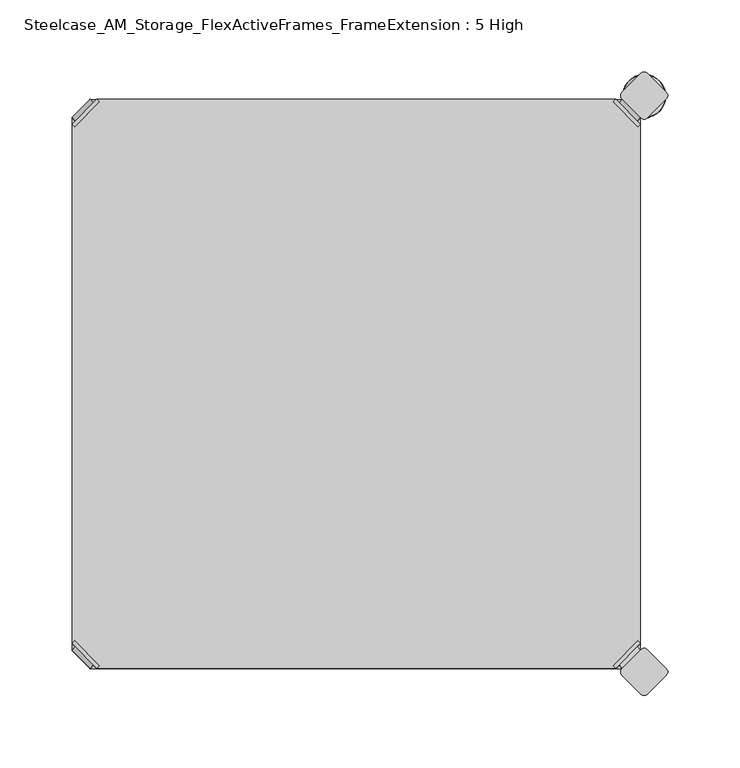
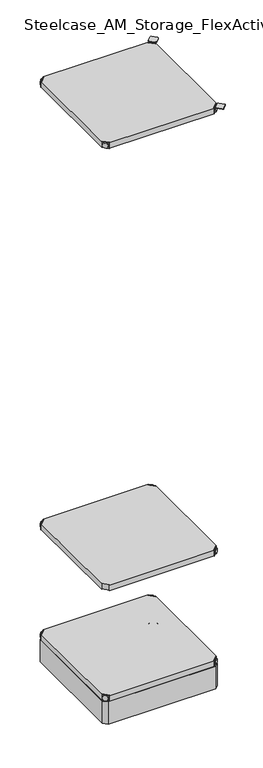
"""IFC4 building model written with IfcOpenShell, lengths in millimetres: furniture geometry, Steelcase_AM_Storage_FlexActiveFrames_FrameExtension : 5 High."""

from ifc_helpers import new_model, si_unit, point, frame, frame_2d, origin, place, context, project, spatial, polyline, circle_curve, ellipse_curve, trimmed, segment, composite_curve, outline, extrude, source, transform, mapped, element, save
from ifc_brep_helpers import plane_surface, cylinder_surface, revolved_surface, advanced_brep


def steelcase_am_storage_flexactiveframes_frameextension_5_high_f2556cbf(model_context):
    return source(origin(), model_context, "Body", "SolidModel", [
        advanced_brep(
        [(397.51, -380.2870969, 520.2936), (395.7139488, -378.4910456, 520.2936), (378.4910456, -395.7139488, 520.2936), (380.2870969, -397.51, 520.2936), (380.2870969, -397.51, 498.9576), (397.51, -380.2870969, 498.9576), (395.1847277, -382.6123691, 510.1336), (382.6123691, -395.1847277, 510.1336), (369.7579478, -352.5350447, 499.9736), (352.5350447, -369.7579478, 499.9736), (378.4910456, -395.7139488, 499.9736), (395.7139488, -378.4910456, 499.9736), (369.7579478, -352.5350447, 498.9576), (352.5350447, -369.7579478, 498.9576), (384.9272487, -397.4996073, 510.1336), (397.4996073, -384.9272487, 510.1336)],
        [
            (0, 1),
            (1, 2),
            (2, 3),
            (3, 0),
            (3, 4),
            (4, 5),
            (5, 0),
            (6, 7, circle_curve(frame((388.8985484, -388.8985484, 510.1336), z_axis=(-0.7071067811865446, 0.7071067811865505, 0.0), x_axis=(0.7071067811865505, 0.7071067811865446, 0.0)), 8.89)),
            (7, 6, circle_curve(frame((388.8985484, -388.8985484, 510.1336), z_axis=(-0.7071067811865446, 0.7071067811865505, 0.0), x_axis=(0.7071067811865505, 0.7071067811865446, 0.0)), 8.89)),
            (8, 9, circle_curve(frame((361.1464963, -361.1464963, 499.9736), z_axis=(0.0, 0.0, 1.0), x_axis=(-1.0, 0.0, 0.0)), 12.1784316)),
            (9, 10),
            (10, 11),
            (11, 8),
            (12, 5),
            (4, 13),
            (13, 12, circle_curve(frame((361.1464963, -361.1464963, 498.9576), z_axis=(0.0, 0.0, -1.0), x_axis=(-1.0, 0.0, 0.0)), 12.1784316)),
            (14, 15, circle_curve(frame((391.213428, -391.213428, 510.1336), z_axis=(0.7071067811865446, -0.7071067811865505, 0.0), x_axis=(0.7071067811865505, 0.7071067811865446, 0.0)), 8.89)),
            (15, 14, circle_curve(frame((391.213428, -391.213428, 510.1336), z_axis=(0.7071067811865446, -0.7071067811865505, 0.0), x_axis=(0.7071067811865505, 0.7071067811865446, 0.0)), 8.89)),
            (14, 7),
            (6, 15),
            (1, 11),
            (10, 2),
            (8, 12),
            (13, 9),
        ],
        [
            plane_surface(frame((419.7079872, -402.485084, 520.2936), z_axis=(0.0, 0.0, 1.0000000000000002), x_axis=(-0.7071067811865436, 0.7071067811865516, 0.0))),
            plane_surface(frame((380.2870969, -397.51, 520.2936), z_axis=(0.7071067811865447, -0.7071067811865503, 0.0), x_axis=(0.0, 0.0, -1.0))),
            plane_surface(frame((348.9680647, -361.1464963, 499.9736), z_axis=(0.0, 0.0, 1.0), x_axis=(0.0, -1.0, 0.0))),
            plane_surface(frame((348.9680647, -361.1464963, 498.9576), z_axis=(0.0, 0.0, -1.0), x_axis=(0.0, 1.0, 0.0))),
            plane_surface(frame((397.4996073, -384.9272487, 510.1336), z_axis=(0.7071067811865446, -0.7071067811865505, 0.0), x_axis=(0.0, 0.0, 1.0))),
            cylinder_surface(frame((388.8985484, -388.8985484, 510.1336), z_axis=(0.7071067811865446, -0.7071067811865505, 0.0), x_axis=(0.7071067811865505, 0.7071067811865446, 0.0)), 8.89),
            plane_surface(frame((395.7139488, -378.4910456, 520.2936), z_axis=(-0.7071067811865447, 0.7071067811865503, 0.0), x_axis=(0.0, 0.0, -1.0))),
            cylinder_surface(frame((361.1464963, -361.1464963, 498.9576), z_axis=(0.0, 0.0, 1.0), x_axis=(-1.0, 0.0, 0.0)), 12.1784316),
            plane_surface(frame((397.51, -380.2870969, 520.2936), z_axis=(0.7071067811865516, 0.7071067811865436, 0.0), x_axis=(0.0, 0.0, -1.0))),
            plane_surface(frame((378.4910456, -395.7139488, 520.2936), z_axis=(-0.7071067811865513, -0.7071067811865437, 0.0), x_axis=(0.0, 0.0, -1.0))),
        ],
        [
            (0, [[1, 2, 3, 4]]),
            (1, [[-4, 5, 6, 7], [8, 9]]),
            (2, [[10, 11, 12, 13]]),
            (3, [[14, -6, 15, 16]]),
            (4, [[17, 18]]),
            (5, [[-17, 19, -8, 20]]),
            (5, [[-18, -20, -9, -19]]),
            (6, [[-2, 21, -12, 22]]),
            (7, [[-10, 23, -16, 24]]),
            (8, [[-1, -7, -14, -23, -13, -21]]),
            (9, [[-3, -22, -11, -24, -15, -5]]),
        ],
    ),
        advanced_brep(
        [(397.51, -19.7629031, 520.2936), (380.2870969, -2.54, 520.2936), (378.4910456, -4.3360512, 520.2936), (395.7139488, -21.5589544, 520.2936), (397.51, -19.7629031, 498.9576), (380.2870969, -2.54, 498.9576), (395.1847277, -17.4376309, 510.1336), (382.6123691, -4.8652723, 510.1336), (369.7579478, -47.5149553, 499.9736), (395.7139488, -21.5589544, 499.9736), (378.4910456, -4.3360512, 499.9736), (352.5350447, -30.2920522, 499.9736), (369.7579478, -47.5149553, 498.9576), (352.5350447, -30.2920522, 498.9576), (384.9272487, -2.5503927, 510.1336), (397.4996073, -15.1227513, 510.1336)],
        [
            (0, 1),
            (1, 2),
            (2, 3),
            (3, 0),
            (0, 4),
            (4, 5),
            (5, 1),
            (6, 7, circle_curve(frame((388.8985484, -11.1514516, 510.1336), z_axis=(-0.7071067811865469, -0.7071067811865481, 0.0), x_axis=(0.7071067811865481, -0.7071067811865469, 0.0)), 8.89)),
            (7, 6, circle_curve(frame((388.8985484, -11.1514516, 510.1336), z_axis=(-0.7071067811865469, -0.7071067811865481, 0.0), x_axis=(0.7071067811865481, -0.7071067811865469, 0.0)), 8.89)),
            (8, 9),
            (9, 10),
            (10, 11),
            (11, 8, circle_curve(frame((361.1464963, -38.9035037, 499.9736), z_axis=(0.0, 0.0, 1.0), x_axis=(-1.0, 0.0, 0.0)), 12.1784316)),
            (12, 13, circle_curve(frame((361.1464963, -38.9035037, 498.9576), z_axis=(0.0, 0.0, -1.0), x_axis=(-1.0, 0.0, 0.0)), 12.1784316)),
            (13, 5),
            (4, 12),
            (14, 15, circle_curve(frame((391.213428, -8.836572, 510.1336), z_axis=(0.7071067811865469, 0.7071067811865481, 0.0), x_axis=(0.7071067811865481, -0.7071067811865469, 0.0)), 8.89)),
            (15, 14, circle_curve(frame((391.213428, -8.836572, 510.1336), z_axis=(0.7071067811865469, 0.7071067811865481, 0.0), x_axis=(0.7071067811865481, -0.7071067811865469, 0.0)), 8.89)),
            (15, 6),
            (7, 14),
            (2, 10),
            (9, 3),
            (11, 13),
            (12, 8),
        ],
        [
            plane_surface(frame((419.7079872, 2.435084, 520.2936), z_axis=(0.0, 0.0, 1.0000000000000002), x_axis=(-0.7071067811865459, -0.7071067811865492, 0.0))),
            plane_surface(frame((380.2870969, -2.54, 520.2936), z_axis=(0.707106781186547, 0.707106781186548, 0.0), x_axis=(0.0, 0.0, -1.0))),
            plane_surface(frame((348.9680647, -38.9035037, 499.9736), z_axis=(0.0, 0.0, 1.0), x_axis=(0.0, 1.0, 0.0))),
            plane_surface(frame((348.9680647, -38.9035037, 498.9576), z_axis=(0.0, 0.0, -1.0), x_axis=(0.0, -1.0, 0.0))),
            plane_surface(frame((397.4996073, -15.1227513, 510.1336), z_axis=(0.7071067811865469, 0.7071067811865481, 0.0), x_axis=(0.0, 0.0, 1.0))),
            cylinder_surface(frame((388.8985484, -11.1514516, 510.1336), z_axis=(0.7071067811865469, 0.7071067811865481, 0.0), x_axis=(0.7071067811865481, -0.7071067811865469, 0.0)), 8.89),
            plane_surface(frame((395.7139488, -21.5589544, 520.2936), z_axis=(-0.707106781186547, -0.707106781186548, 0.0), x_axis=(0.0, 0.0, -1.0))),
            cylinder_surface(frame((361.1464963, -38.9035037, 498.9576), z_axis=(0.0, 0.0, 1.0), x_axis=(-1.0, 0.0, 0.0)), 12.1784316),
            plane_surface(frame((397.51, -19.7629031, 520.2936), z_axis=(0.7071067811865492, -0.7071067811865459, 0.0), x_axis=(0.0, 0.0, -1.0))),
            plane_surface(frame((378.4910456, -4.3360512, 520.2936), z_axis=(-0.707106781186549, 0.707106781186546, 0.0), x_axis=(0.0, 0.0, -1.0))),
        ],
        [
            (0, [[1, 2, 3, 4]]),
            (1, [[5, 6, 7, -1], [8, 9]]),
            (2, [[10, 11, 12, 13]]),
            (3, [[14, 15, -6, 16]]),
            (4, [[17, 18]]),
            (5, [[19, -9, 20, -18]]),
            (5, [[-20, -8, -19, -17]]),
            (6, [[21, -11, 22, -3]]),
            (7, [[23, -14, 24, -13]]),
            (8, [[-22, -10, -24, -16, -5, -4]]),
            (9, [[-7, -15, -23, -12, -21, -2]]),
        ],
    ),
        advanced_brep(
        [(2.54, -19.7629031, 520.2936), (4.3360512, -21.5589544, 520.2936), (21.5589544, -4.3360512, 520.2936), (19.7629031, -2.54, 520.2936), (19.7629031, -2.54, 498.9576), (2.54, -19.7629031, 498.9576), (4.8652723, -17.4376309, 510.1336), (17.4376309, -4.8652723, 510.1336), (30.2920522, -47.5149553, 499.9736), (47.5149553, -30.2920522, 499.9736), (21.5589544, -4.3360512, 499.9736), (4.3360512, -21.5589544, 499.9736), (30.2920522, -47.5149553, 498.9576), (47.5149553, -30.2920522, 498.9576), (15.1227513, -2.5503927, 510.1336), (2.5503927, -15.1227513, 510.1336)],
        [
            (0, 1),
            (1, 2),
            (2, 3),
            (3, 0),
            (3, 4),
            (4, 5),
            (5, 0),
            (6, 7, circle_curve(frame((11.1514516, -11.1514516, 510.1336), z_axis=(0.7071067811865469, -0.7071067811865481, 0.0), x_axis=(-0.7071067811865481, -0.7071067811865469, 0.0)), 8.89)),
            (7, 6, circle_curve(frame((11.1514516, -11.1514516, 510.1336), z_axis=(0.7071067811865469, -0.7071067811865481, 0.0), x_axis=(-0.7071067811865481, -0.7071067811865469, 0.0)), 8.89)),
            (8, 9, circle_curve(frame((38.9035037, -38.9035037, 499.9736), z_axis=(0.0, 0.0, 1.0), x_axis=(1.0, 0.0, 0.0)), 12.1784316)),
            (9, 10),
            (10, 11),
            (11, 8),
            (12, 5),
            (4, 13),
            (13, 12, circle_curve(frame((38.9035037, -38.9035037, 498.9576), z_axis=(0.0, 0.0, -1.0), x_axis=(1.0, 0.0, 0.0)), 12.1784316)),
            (14, 15, circle_curve(frame((8.836572, -8.836572, 510.1336), z_axis=(-0.7071067811865469, 0.7071067811865481, 0.0), x_axis=(-0.7071067811865481, -0.7071067811865469, 0.0)), 8.89)),
            (15, 14, circle_curve(frame((8.836572, -8.836572, 510.1336), z_axis=(-0.7071067811865469, 0.7071067811865481, 0.0), x_axis=(-0.7071067811865481, -0.7071067811865469, 0.0)), 8.89)),
            (14, 7),
            (6, 15),
            (1, 11),
            (10, 2),
            (8, 12),
            (13, 9),
        ],
        [
            plane_surface(frame((-19.6579872, 2.435084, 520.2936), z_axis=(0.0, 0.0, 1.0000000000000002), x_axis=(0.7071067811865459, -0.7071067811865492, 0.0))),
            plane_surface(frame((19.7629031, -2.54, 520.2936), z_axis=(-0.707106781186547, 0.707106781186548, 0.0), x_axis=(0.0, 0.0, -1.0))),
            plane_surface(frame((51.0819353, -38.9035037, 499.9736), z_axis=(0.0, 0.0, 1.0), x_axis=(0.0, 1.0, 0.0))),
            plane_surface(frame((51.0819353, -38.9035037, 498.9576), z_axis=(0.0, 0.0, -1.0), x_axis=(0.0, -1.0, 0.0))),
            plane_surface(frame((2.5503927, -15.1227513, 510.1336), z_axis=(-0.7071067811865469, 0.7071067811865481, 0.0), x_axis=(0.0, 0.0, 1.0))),
            cylinder_surface(frame((11.1514516, -11.1514516, 510.1336), z_axis=(-0.7071067811865469, 0.7071067811865481, 0.0), x_axis=(-0.7071067811865481, -0.7071067811865469, 0.0)), 8.89),
            plane_surface(frame((4.3360512, -21.5589544, 520.2936), z_axis=(0.707106781186547, -0.707106781186548, 0.0), x_axis=(0.0, 0.0, -1.0))),
            cylinder_surface(frame((38.9035037, -38.9035037, 498.9576), z_axis=(0.0, 0.0, 1.0), x_axis=(1.0, 0.0, 0.0)), 12.1784316),
            plane_surface(frame((2.54, -19.7629031, 520.2936), z_axis=(-0.7071067811865492, -0.7071067811865459, 0.0), x_axis=(0.0, 0.0, -1.0))),
            plane_surface(frame((21.5589544, -4.3360512, 520.2936), z_axis=(0.707106781186549, 0.707106781186546, 0.0), x_axis=(0.0, 0.0, -1.0))),
        ],
        [
            (0, [[1, 2, 3, 4]]),
            (1, [[-4, 5, 6, 7], [8, 9]]),
            (2, [[10, 11, 12, 13]]),
            (3, [[14, -6, 15, 16]]),
            (4, [[17, 18]]),
            (5, [[-17, 19, -8, 20]]),
            (5, [[-18, -20, -9, -19]]),
            (6, [[-2, 21, -12, 22]]),
            (7, [[-10, 23, -16, 24]]),
            (8, [[-1, -7, -14, -23, -13, -21]]),
            (9, [[-3, -22, -11, -24, -15, -5]]),
        ],
    ),
        extrude(outline(polyline([(19.7629031, -2.54), (380.2870969, -2.54), (378.4910456, -4.3360512), (395.7139488, -21.5589544), (397.51, -19.7629031), (397.51, -380.2870969), (395.7139488, -378.4910456), (378.4910456, -395.7139488), (380.2870969, -397.51), (19.7629031, -397.51), (21.5589544, -395.7139488), (4.3360512, -378.4910456), (2.54, -380.2870969), (2.54, -19.7629031), (4.3360512, -21.5589544), (21.5589544, -4.3360512), (19.7629031, -2.54)])), frame((0.0, 0.0, 499.9736), z_axis=(0.0, 0.0, 1.0), x_axis=(1.0, 0.0, 0.0)), (0.0, 0.0, 1.0), 20.32),
        advanced_brep(
        [(2.54, -380.2870969, 2127.25), (19.7629031, -397.51, 2127.25), (21.5589544, -395.7139488, 2127.25), (4.3360512, -378.4910456, 2127.25), (2.54, -380.2870969, 2105.914), (19.7629031, -397.51, 2105.914), (4.8652723, -382.6123691, 2117.09), (17.4376309, -395.1847277, 2117.09), (30.2920522, -352.5350447, 2106.93), (4.3360512, -378.4910456, 2106.93), (21.5589544, -395.7139488, 2106.93), (47.5149553, -369.7579478, 2106.93), (30.2920522, -352.5350447, 2105.914), (47.5149553, -369.7579478, 2105.914), (15.1227513, -397.4996073, 2117.09), (2.5503927, -384.9272487, 2117.09)],
        [
            (0, 1),
            (1, 2),
            (2, 3),
            (3, 0),
            (0, 4),
            (4, 5),
            (5, 1),
            (6, 7, circle_curve(frame((11.1514516, -388.8985484, 2117.09), z_axis=(0.7071067811865446, 0.7071067811865505, 0.0), x_axis=(-0.7071067811865505, 0.7071067811865446, 0.0)), 8.89)),
            (7, 6, circle_curve(frame((11.1514516, -388.8985484, 2117.09), z_axis=(0.7071067811865446, 0.7071067811865505, 0.0), x_axis=(-0.7071067811865505, 0.7071067811865446, 0.0)), 8.89)),
            (8, 9),
            (9, 10),
            (10, 11),
            (11, 8, circle_curve(frame((38.9035037, -361.1464963, 2106.93), z_axis=(0.0, 0.0, 1.0), x_axis=(1.0, 0.0, 0.0)), 12.1784316)),
            (12, 13, circle_curve(frame((38.9035037, -361.1464963, 2105.914), z_axis=(0.0, 0.0, -1.0), x_axis=(1.0, 0.0, 0.0)), 12.1784316)),
            (13, 5),
            (4, 12),
            (14, 15, circle_curve(frame((8.836572, -391.213428, 2117.09), z_axis=(-0.7071067811865446, -0.7071067811865505, 0.0), x_axis=(-0.7071067811865505, 0.7071067811865446, 0.0)), 8.89)),
            (15, 14, circle_curve(frame((8.836572, -391.213428, 2117.09), z_axis=(-0.7071067811865446, -0.7071067811865505, 0.0), x_axis=(-0.7071067811865505, 0.7071067811865446, 0.0)), 8.89)),
            (15, 6),
            (7, 14),
            (2, 10),
            (9, 3),
            (11, 13),
            (12, 8),
        ],
        [
            plane_surface(frame((-19.6579872, -402.485084, 2127.25), z_axis=(0.0, 0.0, 1.0000000000000002), x_axis=(0.7071067811865436, 0.7071067811865516, 0.0))),
            plane_surface(frame((19.7629031, -397.51, 2127.25), z_axis=(-0.7071067811865447, -0.7071067811865503, 0.0), x_axis=(0.0, 0.0, -1.0))),
            plane_surface(frame((51.0819353, -361.1464963, 2106.93), z_axis=(0.0, 0.0, 1.0), x_axis=(0.0, -1.0, 0.0))),
            plane_surface(frame((51.0819353, -361.1464963, 2105.914), z_axis=(0.0, 0.0, -1.0), x_axis=(0.0, 1.0, 0.0))),
            plane_surface(frame((2.5503927, -384.9272487, 2117.09), z_axis=(-0.7071067811865446, -0.7071067811865505, 0.0), x_axis=(0.0, 0.0, 1.0))),
            cylinder_surface(frame((11.1514516, -388.8985484, 2117.09), z_axis=(-0.7071067811865446, -0.7071067811865505, 0.0), x_axis=(-0.7071067811865505, 0.7071067811865446, 0.0)), 8.89),
            plane_surface(frame((4.3360512, -378.4910456, 2127.25), z_axis=(0.7071067811865447, 0.7071067811865503, 0.0), x_axis=(0.0, 0.0, -1.0))),
            cylinder_surface(frame((38.9035037, -361.1464963, 2105.914), z_axis=(0.0, 0.0, 1.0), x_axis=(1.0, 0.0, 0.0)), 12.1784316),
            plane_surface(frame((2.54, -380.2870969, 2127.25), z_axis=(-0.7071067811865516, 0.7071067811865436, 0.0), x_axis=(0.0, 0.0, -1.0))),
            plane_surface(frame((21.5589544, -395.7139488, 2127.25), z_axis=(0.7071067811865513, -0.7071067811865437, 0.0), x_axis=(0.0, 0.0, -1.0))),
        ],
        [
            (0, [[1, 2, 3, 4]]),
            (1, [[5, 6, 7, -1], [8, 9]]),
            (2, [[10, 11, 12, 13]]),
            (3, [[14, 15, -6, 16]]),
            (4, [[17, 18]]),
            (5, [[19, -9, 20, -18]]),
            (5, [[-20, -8, -19, -17]]),
            (6, [[21, -11, 22, -3]]),
            (7, [[23, -14, 24, -13]]),
            (8, [[-22, -10, -24, -16, -5, -4]]),
            (9, [[-7, -15, -23, -12, -21, -2]]),
        ],
    ),
        advanced_brep(
        [(397.51, -380.2870969, 2127.25), (395.7139488, -378.4910456, 2127.25), (378.4910456, -395.7139488, 2127.25), (380.2870969, -397.51, 2127.25), (380.2870969, -397.51, 2105.914), (397.51, -380.2870969, 2105.914), (395.1847277, -382.6123691, 2117.09), (382.6123691, -395.1847277, 2117.09), (369.7579478, -352.5350447, 2106.93), (352.5350447, -369.7579478, 2106.93), (378.4910456, -395.7139488, 2106.93), (395.7139488, -378.4910456, 2106.93), (369.7579478, -352.5350447, 2105.914), (352.5350447, -369.7579478, 2105.914), (384.9272487, -397.4996073, 2117.09), (397.4996073, -384.9272487, 2117.09)],
        [
            (0, 1),
            (1, 2),
            (2, 3),
            (3, 0),
            (3, 4),
            (4, 5),
            (5, 0),
            (6, 7, circle_curve(frame((388.8985484, -388.8985484, 2117.09), z_axis=(-0.7071067811865446, 0.7071067811865505, 0.0), x_axis=(0.7071067811865505, 0.7071067811865446, 0.0)), 8.89)),
            (7, 6, circle_curve(frame((388.8985484, -388.8985484, 2117.09), z_axis=(-0.7071067811865446, 0.7071067811865505, 0.0), x_axis=(0.7071067811865505, 0.7071067811865446, 0.0)), 8.89)),
            (8, 9, circle_curve(frame((361.1464963, -361.1464963, 2106.93), z_axis=(0.0, 0.0, 1.0), x_axis=(-1.0, 0.0, 0.0)), 12.1784316)),
            (9, 10),
            (10, 11),
            (11, 8),
            (12, 5),
            (4, 13),
            (13, 12, circle_curve(frame((361.1464963, -361.1464963, 2105.914), z_axis=(0.0, 0.0, -1.0), x_axis=(-1.0, 0.0, 0.0)), 12.1784316)),
            (14, 15, circle_curve(frame((391.213428, -391.213428, 2117.09), z_axis=(0.7071067811865446, -0.7071067811865505, 0.0), x_axis=(0.7071067811865505, 0.7071067811865446, 0.0)), 8.89)),
            (15, 14, circle_curve(frame((391.213428, -391.213428, 2117.09), z_axis=(0.7071067811865446, -0.7071067811865505, 0.0), x_axis=(0.7071067811865505, 0.7071067811865446, 0.0)), 8.89)),
            (14, 7),
            (6, 15),
            (1, 11),
            (10, 2),
            (8, 12),
            (13, 9),
        ],
        [
            plane_surface(frame((419.7079872, -402.485084, 2127.25), z_axis=(0.0, 0.0, 1.0000000000000002), x_axis=(-0.7071067811865436, 0.7071067811865516, 0.0))),
            plane_surface(frame((380.2870969, -397.51, 2127.25), z_axis=(0.7071067811865447, -0.7071067811865503, 0.0), x_axis=(0.0, 0.0, -1.0))),
            plane_surface(frame((348.9680647, -361.1464963, 2106.93), z_axis=(0.0, 0.0, 1.0), x_axis=(0.0, -1.0, 0.0))),
            plane_surface(frame((348.9680647, -361.1464963, 2105.914), z_axis=(0.0, 0.0, -1.0), x_axis=(0.0, 1.0, 0.0))),
            plane_surface(frame((397.4996073, -384.9272487, 2117.09), z_axis=(0.7071067811865446, -0.7071067811865505, 0.0), x_axis=(0.0, 0.0, 1.0))),
            cylinder_surface(frame((388.8985484, -388.8985484, 2117.09), z_axis=(0.7071067811865446, -0.7071067811865505, 0.0), x_axis=(0.7071067811865505, 0.7071067811865446, 0.0)), 8.89),
            plane_surface(frame((395.7139488, -378.4910456, 2127.25), z_axis=(-0.7071067811865447, 0.7071067811865503, 0.0), x_axis=(0.0, 0.0, -1.0))),
            cylinder_surface(frame((361.1464963, -361.1464963, 2105.914), z_axis=(0.0, 0.0, 1.0), x_axis=(-1.0, 0.0, 0.0)), 12.1784316),
            plane_surface(frame((397.51, -380.2870969, 2127.25), z_axis=(0.7071067811865516, 0.7071067811865436, 0.0), x_axis=(0.0, 0.0, -1.0))),
            plane_surface(frame((378.4910456, -395.7139488, 2127.25), z_axis=(-0.7071067811865513, -0.7071067811865437, 0.0), x_axis=(0.0, 0.0, -1.0))),
        ],
        [
            (0, [[1, 2, 3, 4]]),
            (1, [[-4, 5, 6, 7], [8, 9]]),
            (2, [[10, 11, 12, 13]]),
            (3, [[14, -6, 15, 16]]),
            (4, [[17, 18]]),
            (5, [[-17, 19, -8, 20]]),
            (5, [[-18, -20, -9, -19]]),
            (6, [[-2, 21, -12, 22]]),
            (7, [[-10, 23, -16, 24]]),
            (8, [[-1, -7, -14, -23, -13, -21]]),
            (9, [[-3, -22, -11, -24, -15, -5]]),
        ],
    ),
        advanced_brep(
        [(397.51, -19.7629031, 2127.25), (380.2870969, -2.54, 2127.25), (378.4910456, -4.3360512, 2127.25), (395.7139488, -21.5589544, 2127.25), (397.51, -19.7629031, 2105.914), (380.2870969, -2.54, 2105.914), (395.1847277, -17.4376309, 2117.09), (382.6123691, -4.8652723, 2117.09), (369.7579478, -47.5149553, 2106.93), (395.7139488, -21.5589544, 2106.93), (378.4910456, -4.3360512, 2106.93), (352.5350447, -30.2920522, 2106.93), (369.7579478, -47.5149553, 2105.914), (352.5350447, -30.2920522, 2105.914), (384.9272487, -2.5503927, 2117.09), (397.4996073, -15.1227513, 2117.09)],
        [
            (0, 1),
            (1, 2),
            (2, 3),
            (3, 0),
            (0, 4),
            (4, 5),
            (5, 1),
            (6, 7, circle_curve(frame((388.8985484, -11.1514516, 2117.09), z_axis=(-0.7071067811865469, -0.7071067811865481, 0.0), x_axis=(0.7071067811865481, -0.7071067811865469, 0.0)), 8.89)),
            (7, 6, circle_curve(frame((388.8985484, -11.1514516, 2117.09), z_axis=(-0.7071067811865469, -0.7071067811865481, 0.0), x_axis=(0.7071067811865481, -0.7071067811865469, 0.0)), 8.89)),
            (8, 9),
            (9, 10),
            (10, 11),
            (11, 8, circle_curve(frame((361.1464963, -38.9035037, 2106.93), z_axis=(0.0, 0.0, 1.0), x_axis=(-1.0, 0.0, 0.0)), 12.1784316)),
            (12, 13, circle_curve(frame((361.1464963, -38.9035037, 2105.914), z_axis=(0.0, 0.0, -1.0), x_axis=(-1.0, 0.0, 0.0)), 12.1784316)),
            (13, 5),
            (4, 12),
            (14, 15, circle_curve(frame((391.213428, -8.836572, 2117.09), z_axis=(0.7071067811865469, 0.7071067811865481, 0.0), x_axis=(0.7071067811865481, -0.7071067811865469, 0.0)), 8.89)),
            (15, 14, circle_curve(frame((391.213428, -8.836572, 2117.09), z_axis=(0.7071067811865469, 0.7071067811865481, 0.0), x_axis=(0.7071067811865481, -0.7071067811865469, 0.0)), 8.89)),
            (15, 6),
            (7, 14),
            (2, 10),
            (9, 3),
            (11, 13),
            (12, 8),
        ],
        [
            plane_surface(frame((419.7079872, 2.435084, 2127.25), z_axis=(0.0, 0.0, 1.0000000000000002), x_axis=(-0.7071067811865459, -0.7071067811865492, 0.0))),
            plane_surface(frame((380.2870969, -2.54, 2127.25), z_axis=(0.707106781186547, 0.707106781186548, 0.0), x_axis=(0.0, 0.0, -1.0))),
            plane_surface(frame((348.9680647, -38.9035037, 2106.93), z_axis=(0.0, 0.0, 1.0), x_axis=(0.0, 1.0, 0.0))),
            plane_surface(frame((348.9680647, -38.9035037, 2105.914), z_axis=(0.0, 0.0, -1.0), x_axis=(0.0, -1.0, 0.0))),
            plane_surface(frame((397.4996073, -15.1227513, 2117.09), z_axis=(0.7071067811865469, 0.7071067811865481, 0.0), x_axis=(0.0, 0.0, 1.0))),
            cylinder_surface(frame((388.8985484, -11.1514516, 2117.09), z_axis=(0.7071067811865469, 0.7071067811865481, 0.0), x_axis=(0.7071067811865481, -0.7071067811865469, 0.0)), 8.89),
            plane_surface(frame((395.7139488, -21.5589544, 2127.25), z_axis=(-0.707106781186547, -0.707106781186548, 0.0), x_axis=(0.0, 0.0, -1.0))),
            cylinder_surface(frame((361.1464963, -38.9035037, 2105.914), z_axis=(0.0, 0.0, 1.0), x_axis=(-1.0, 0.0, 0.0)), 12.1784316),
            plane_surface(frame((397.51, -19.7629031, 2127.25), z_axis=(0.7071067811865492, -0.7071067811865459, 0.0), x_axis=(0.0, 0.0, -1.0))),
            plane_surface(frame((378.4910456, -4.3360512, 2127.25), z_axis=(-0.707106781186549, 0.707106781186546, 0.0), x_axis=(0.0, 0.0, -1.0))),
        ],
        [
            (0, [[1, 2, 3, 4]]),
            (1, [[5, 6, 7, -1], [8, 9]]),
            (2, [[10, 11, 12, 13]]),
            (3, [[14, 15, -6, 16]]),
            (4, [[17, 18]]),
            (5, [[19, -9, 20, -18]]),
            (5, [[-20, -8, -19, -17]]),
            (6, [[21, -11, 22, -3]]),
            (7, [[23, -14, 24, -13]]),
            (8, [[-22, -10, -24, -16, -5, -4]]),
            (9, [[-7, -15, -23, -12, -21, -2]]),
        ],
    ),
        advanced_brep(
        [(2.54, -19.7629031, 2127.25), (4.3360512, -21.5589544, 2127.25), (21.5589544, -4.3360512, 2127.25), (19.7629031, -2.54, 2127.25), (19.7629031, -2.54, 2105.914), (2.54, -19.7629031, 2105.914), (4.8652723, -17.4376309, 2117.09), (17.4376309, -4.8652723, 2117.09), (30.2920522, -47.5149553, 2106.93), (47.5149553, -30.2920522, 2106.93), (21.5589544, -4.3360512, 2106.93), (4.3360512, -21.5589544, 2106.93), (30.2920522, -47.5149553, 2105.914), (47.5149553, -30.2920522, 2105.914), (15.1227513, -2.5503927, 2117.09), (2.5503927, -15.1227513, 2117.09)],
        [
            (0, 1),
            (1, 2),
            (2, 3),
            (3, 0),
            (3, 4),
            (4, 5),
            (5, 0),
            (6, 7, circle_curve(frame((11.1514516, -11.1514516, 2117.09), z_axis=(0.7071067811865469, -0.7071067811865481, 0.0), x_axis=(-0.7071067811865481, -0.7071067811865469, 0.0)), 8.89)),
            (7, 6, circle_curve(frame((11.1514516, -11.1514516, 2117.09), z_axis=(0.7071067811865469, -0.7071067811865481, 0.0), x_axis=(-0.7071067811865481, -0.7071067811865469, 0.0)), 8.89)),
            (8, 9, circle_curve(frame((38.9035037, -38.9035037, 2106.93), z_axis=(0.0, 0.0, 1.0), x_axis=(1.0, 0.0, 0.0)), 12.1784316)),
            (9, 10),
            (10, 11),
            (11, 8),
            (12, 5),
            (4, 13),
            (13, 12, circle_curve(frame((38.9035037, -38.9035037, 2105.914), z_axis=(0.0, 0.0, -1.0), x_axis=(1.0, 0.0, 0.0)), 12.1784316)),
            (14, 15, circle_curve(frame((8.836572, -8.836572, 2117.09), z_axis=(-0.7071067811865469, 0.7071067811865481, 0.0), x_axis=(-0.7071067811865481, -0.7071067811865469, 0.0)), 8.89)),
            (15, 14, circle_curve(frame((8.836572, -8.836572, 2117.09), z_axis=(-0.7071067811865469, 0.7071067811865481, 0.0), x_axis=(-0.7071067811865481, -0.7071067811865469, 0.0)), 8.89)),
            (14, 7),
            (6, 15),
            (1, 11),
            (10, 2),
            (8, 12),
            (13, 9),
        ],
        [
            plane_surface(frame((-19.6579872, 2.435084, 2127.25), z_axis=(0.0, 0.0, 1.0000000000000002), x_axis=(0.7071067811865459, -0.7071067811865492, 0.0))),
            plane_surface(frame((19.7629031, -2.54, 2127.25), z_axis=(-0.707106781186547, 0.707106781186548, 0.0), x_axis=(0.0, 0.0, -1.0))),
            plane_surface(frame((51.0819353, -38.9035037, 2106.93), z_axis=(0.0, 0.0, 1.0), x_axis=(0.0, 1.0, 0.0))),
            plane_surface(frame((51.0819353, -38.9035037, 2105.914), z_axis=(0.0, 0.0, -1.0), x_axis=(0.0, -1.0, 0.0))),
            plane_surface(frame((2.5503927, -15.1227513, 2117.09), z_axis=(-0.7071067811865469, 0.7071067811865481, 0.0), x_axis=(0.0, 0.0, 1.0))),
            cylinder_surface(frame((11.1514516, -11.1514516, 2117.09), z_axis=(-0.7071067811865469, 0.7071067811865481, 0.0), x_axis=(-0.7071067811865481, -0.7071067811865469, 0.0)), 8.89),
            plane_surface(frame((4.3360512, -21.5589544, 2127.25), z_axis=(0.707106781186547, -0.707106781186548, 0.0), x_axis=(0.0, 0.0, -1.0))),
            cylinder_surface(frame((38.9035037, -38.9035037, 2105.914), z_axis=(0.0, 0.0, 1.0), x_axis=(1.0, 0.0, 0.0)), 12.1784316),
            plane_surface(frame((2.54, -19.7629031, 2127.25), z_axis=(-0.7071067811865492, -0.7071067811865459, 0.0), x_axis=(0.0, 0.0, -1.0))),
            plane_surface(frame((21.5589544, -4.3360512, 2127.25), z_axis=(0.707106781186549, 0.707106781186546, 0.0), x_axis=(0.0, 0.0, -1.0))),
        ],
        [
            (0, [[1, 2, 3, 4]]),
            (1, [[-4, 5, 6, 7], [8, 9]]),
            (2, [[10, 11, 12, 13]]),
            (3, [[14, -6, 15, 16]]),
            (4, [[17, 18]]),
            (5, [[-17, 19, -8, 20]]),
            (5, [[-18, -20, -9, -19]]),
            (6, [[-2, 21, -12, 22]]),
            (7, [[-10, 23, -16, 24]]),
            (8, [[-1, -7, -14, -23, -13, -21]]),
            (9, [[-3, -22, -11, -24, -15, -5]]),
        ],
    ),
        extrude(outline(polyline([(19.7629031, -2.54), (380.2870969, -2.54), (378.4910456, -4.3360512), (395.7139488, -21.5589544), (397.51, -19.7629031), (397.51, -380.2870969), (395.7139488, -378.4910456), (378.4910456, -395.7139488), (380.2870969, -397.51), (19.7629031, -397.51), (21.5589544, -395.7139488), (4.3360512, -378.4910456), (2.54, -380.2870969), (2.54, -19.7629031), (4.3360512, -21.5589544), (21.5589544, -4.3360512), (19.7629031, -2.54)])), frame((0.0, 0.0, 2106.93), z_axis=(0.0, 0.0, 1.0), x_axis=(1.0, 0.0, 0.0)), (0.0, 0.0, 1.0), 20.32),
        advanced_brep(
        [(2.54, -380.2870969, 118.9736), (19.7629031, -397.51, 118.9736), (21.5589544, -395.7139488, 118.9736), (4.3360512, -378.4910456, 118.9736), (2.54, -380.2870969, 97.6376), (19.7629031, -397.51, 97.6376), (4.8652723, -382.6123691, 108.8136), (17.4376309, -395.1847277, 108.8136), (30.2920522, -352.5350447, 98.6536), (4.3360512, -378.4910456, 98.6536), (21.5589544, -395.7139488, 98.6536), (47.5149553, -369.7579478, 98.6536), (30.2920522, -352.5350447, 97.6376), (47.5149553, -369.7579478, 97.6376), (15.1227513, -397.4996073, 108.8136), (2.5503927, -384.9272487, 108.8136)],
        [
            (0, 1),
            (1, 2),
            (2, 3),
            (3, 0),
            (0, 4),
            (4, 5),
            (5, 1),
            (6, 7, circle_curve(frame((11.1514516, -388.8985484, 108.8136), z_axis=(0.7071067811865446, 0.7071067811865505, 0.0), x_axis=(-0.7071067811865505, 0.7071067811865446, 0.0)), 8.89)),
            (7, 6, circle_curve(frame((11.1514516, -388.8985484, 108.8136), z_axis=(0.7071067811865446, 0.7071067811865505, 0.0), x_axis=(-0.7071067811865505, 0.7071067811865446, 0.0)), 8.89)),
            (8, 9),
            (9, 10),
            (10, 11),
            (11, 8, circle_curve(frame((38.9035037, -361.1464963, 98.6536), z_axis=(0.0, 0.0, 1.0), x_axis=(1.0, 0.0, 0.0)), 12.1784316)),
            (12, 13, circle_curve(frame((38.9035037, -361.1464963, 97.6376), z_axis=(0.0, 0.0, -1.0), x_axis=(1.0, 0.0, 0.0)), 12.1784316)),
            (13, 5),
            (4, 12),
            (14, 15, circle_curve(frame((8.836572, -391.213428, 108.8136), z_axis=(-0.7071067811865446, -0.7071067811865505, 0.0), x_axis=(-0.7071067811865505, 0.7071067811865446, 0.0)), 8.89)),
            (15, 14, circle_curve(frame((8.836572, -391.213428, 108.8136), z_axis=(-0.7071067811865446, -0.7071067811865505, 0.0), x_axis=(-0.7071067811865505, 0.7071067811865446, 0.0)), 8.89)),
            (15, 6),
            (7, 14),
            (2, 10),
            (9, 3),
            (11, 13),
            (12, 8),
        ],
        [
            plane_surface(frame((-19.6579872, -402.485084, 118.9736), z_axis=(0.0, 0.0, 1.0000000000000002), x_axis=(0.7071067811865436, 0.7071067811865516, 0.0))),
            plane_surface(frame((19.7629031, -397.51, 118.9736), z_axis=(-0.7071067811865447, -0.7071067811865503, 0.0), x_axis=(0.0, 0.0, -1.0))),
            plane_surface(frame((51.0819353, -361.1464963, 98.6536), z_axis=(0.0, 0.0, 1.0), x_axis=(0.0, -1.0, 0.0))),
            plane_surface(frame((51.0819353, -361.1464963, 97.6376), z_axis=(0.0, 0.0, -1.0), x_axis=(0.0, 1.0, 0.0))),
            plane_surface(frame((2.5503927, -384.9272487, 108.8136), z_axis=(-0.7071067811865446, -0.7071067811865505, 0.0), x_axis=(0.0, 0.0, 1.0))),
            cylinder_surface(frame((11.1514516, -388.8985484, 108.8136), z_axis=(-0.7071067811865446, -0.7071067811865505, 0.0), x_axis=(-0.7071067811865505, 0.7071067811865446, 0.0)), 8.89),
            plane_surface(frame((4.3360512, -378.4910456, 118.9736), z_axis=(0.7071067811865447, 0.7071067811865503, 0.0), x_axis=(0.0, 0.0, -1.0))),
            cylinder_surface(frame((38.9035037, -361.1464963, 97.6376), z_axis=(0.0, 0.0, 1.0), x_axis=(1.0, 0.0, 0.0)), 12.1784316),
            plane_surface(frame((2.54, -380.2870969, 118.9736), z_axis=(-0.7071067811865516, 0.7071067811865436, 0.0), x_axis=(0.0, 0.0, -1.0))),
            plane_surface(frame((21.5589544, -395.7139488, 118.9736), z_axis=(0.7071067811865513, -0.7071067811865437, 0.0), x_axis=(0.0, 0.0, -1.0))),
        ],
        [
            (0, [[1, 2, 3, 4]]),
            (1, [[5, 6, 7, -1], [8, 9]]),
            (2, [[10, 11, 12, 13]]),
            (3, [[14, 15, -6, 16]]),
            (4, [[17, 18]]),
            (5, [[19, -9, 20, -18]]),
            (5, [[-20, -8, -19, -17]]),
            (6, [[21, -11, 22, -3]]),
            (7, [[23, -14, 24, -13]]),
            (8, [[-22, -10, -24, -16, -5, -4]]),
            (9, [[-7, -15, -23, -12, -21, -2]]),
        ],
    ),
        advanced_brep(
        [(397.51, -380.2870969, 118.9736), (395.7139488, -378.4910456, 118.9736), (378.4910456, -395.7139488, 118.9736), (380.2870969, -397.51, 118.9736), (380.2870969, -397.51, 97.6376), (397.51, -380.2870969, 97.6376), (395.1847277, -382.6123691, 108.8136), (382.6123691, -395.1847277, 108.8136), (369.7579478, -352.5350447, 98.6536), (352.5350447, -369.7579478, 98.6536), (378.4910456, -395.7139488, 98.6536), (395.7139488, -378.4910456, 98.6536), (369.7579478, -352.5350447, 97.6376), (352.5350447, -369.7579478, 97.6376), (384.9272487, -397.4996073, 108.8136), (397.4996073, -384.9272487, 108.8136)],
        [
            (0, 1),
            (1, 2),
            (2, 3),
            (3, 0),
            (3, 4),
            (4, 5),
            (5, 0),
            (6, 7, circle_curve(frame((388.8985484, -388.8985484, 108.8136), z_axis=(-0.7071067811865446, 0.7071067811865505, 0.0), x_axis=(0.7071067811865505, 0.7071067811865446, 0.0)), 8.89)),
            (7, 6, circle_curve(frame((388.8985484, -388.8985484, 108.8136), z_axis=(-0.7071067811865446, 0.7071067811865505, 0.0), x_axis=(0.7071067811865505, 0.7071067811865446, 0.0)), 8.89)),
            (8, 9, circle_curve(frame((361.1464963, -361.1464963, 98.6536), z_axis=(0.0, 0.0, 1.0), x_axis=(-1.0, 0.0, 0.0)), 12.1784316)),
            (9, 10),
            (10, 11),
            (11, 8),
            (12, 5),
            (4, 13),
            (13, 12, circle_curve(frame((361.1464963, -361.1464963, 97.6376), z_axis=(0.0, 0.0, -1.0), x_axis=(-1.0, 0.0, 0.0)), 12.1784316)),
            (14, 15, circle_curve(frame((391.213428, -391.213428, 108.8136), z_axis=(0.7071067811865446, -0.7071067811865505, 0.0), x_axis=(0.7071067811865505, 0.7071067811865446, 0.0)), 8.89)),
            (15, 14, circle_curve(frame((391.213428, -391.213428, 108.8136), z_axis=(0.7071067811865446, -0.7071067811865505, 0.0), x_axis=(0.7071067811865505, 0.7071067811865446, 0.0)), 8.89)),
            (14, 7),
            (6, 15),
            (1, 11),
            (10, 2),
            (8, 12),
            (13, 9),
        ],
        [
            plane_surface(frame((419.7079872, -402.485084, 118.9736), z_axis=(0.0, 0.0, 1.0000000000000002), x_axis=(-0.7071067811865436, 0.7071067811865516, 0.0))),
            plane_surface(frame((380.2870969, -397.51, 118.9736), z_axis=(0.7071067811865447, -0.7071067811865503, 0.0), x_axis=(0.0, 0.0, -1.0))),
            plane_surface(frame((348.9680647, -361.1464963, 98.6536), z_axis=(0.0, 0.0, 1.0), x_axis=(0.0, -1.0, 0.0))),
            plane_surface(frame((348.9680647, -361.1464963, 97.6376), z_axis=(0.0, 0.0, -1.0), x_axis=(0.0, 1.0, 0.0))),
            plane_surface(frame((397.4996073, -384.9272487, 108.8136), z_axis=(0.7071067811865446, -0.7071067811865505, 0.0), x_axis=(0.0, 0.0, 1.0))),
            cylinder_surface(frame((388.8985484, -388.8985484, 108.8136), z_axis=(0.7071067811865446, -0.7071067811865505, 0.0), x_axis=(0.7071067811865505, 0.7071067811865446, 0.0)), 8.89),
            plane_surface(frame((395.7139488, -378.4910456, 118.9736), z_axis=(-0.7071067811865447, 0.7071067811865503, 0.0), x_axis=(0.0, 0.0, -1.0))),
            cylinder_surface(frame((361.1464963, -361.1464963, 97.6376), z_axis=(0.0, 0.0, 1.0), x_axis=(-1.0, 0.0, 0.0)), 12.1784316),
            plane_surface(frame((397.51, -380.2870969, 118.9736), z_axis=(0.7071067811865516, 0.7071067811865436, 0.0), x_axis=(0.0, 0.0, -1.0))),
            plane_surface(frame((378.4910456, -395.7139488, 118.9736), z_axis=(-0.7071067811865513, -0.7071067811865437, 0.0), x_axis=(0.0, 0.0, -1.0))),
        ],
        [
            (0, [[1, 2, 3, 4]]),
            (1, [[-4, 5, 6, 7], [8, 9]]),
            (2, [[10, 11, 12, 13]]),
            (3, [[14, -6, 15, 16]]),
            (4, [[17, 18]]),
            (5, [[-17, 19, -8, 20]]),
            (5, [[-18, -20, -9, -19]]),
            (6, [[-2, 21, -12, 22]]),
            (7, [[-10, 23, -16, 24]]),
            (8, [[-1, -7, -14, -23, -13, -21]]),
            (9, [[-3, -22, -11, -24, -15, -5]]),
        ],
    ),
        advanced_brep(
        [(397.51, -19.7629031, 118.9736), (380.2870969, -2.54, 118.9736), (378.4910456, -4.3360512, 118.9736), (395.7139488, -21.5589544, 118.9736), (397.51, -19.7629031, 97.6376), (380.2870969, -2.54, 97.6376), (395.1847277, -17.4376309, 108.8136), (382.6123691, -4.8652723, 108.8136), (369.7579478, -47.5149553, 98.6536), (395.7139488, -21.5589544, 98.6536), (378.4910456, -4.3360512, 98.6536), (352.5350447, -30.2920522, 98.6536), (369.7579478, -47.5149553, 97.6376), (352.5350447, -30.2920522, 97.6376), (384.9272487, -2.5503927, 108.8136), (397.4996073, -15.1227513, 108.8136)],
        [
            (0, 1),
            (1, 2),
            (2, 3),
            (3, 0),
            (0, 4),
            (4, 5),
            (5, 1),
            (6, 7, circle_curve(frame((388.8985484, -11.1514516, 108.8136), z_axis=(-0.7071067811865469, -0.7071067811865481, 0.0), x_axis=(0.7071067811865481, -0.7071067811865469, 0.0)), 8.89)),
            (7, 6, circle_curve(frame((388.8985484, -11.1514516, 108.8136), z_axis=(-0.7071067811865469, -0.7071067811865481, 0.0), x_axis=(0.7071067811865481, -0.7071067811865469, 0.0)), 8.89)),
            (8, 9),
            (9, 10),
            (10, 11),
            (11, 8, circle_curve(frame((361.1464963, -38.9035037, 98.6536), z_axis=(0.0, 0.0, 1.0), x_axis=(-1.0, 0.0, 0.0)), 12.1784316)),
            (12, 13, circle_curve(frame((361.1464963, -38.9035037, 97.6376), z_axis=(0.0, 0.0, -1.0), x_axis=(-1.0, 0.0, 0.0)), 12.1784316)),
            (13, 5),
            (4, 12),
            (14, 15, circle_curve(frame((391.213428, -8.836572, 108.8136), z_axis=(0.7071067811865469, 0.7071067811865481, 0.0), x_axis=(0.7071067811865481, -0.7071067811865469, 0.0)), 8.89)),
            (15, 14, circle_curve(frame((391.213428, -8.836572, 108.8136), z_axis=(0.7071067811865469, 0.7071067811865481, 0.0), x_axis=(0.7071067811865481, -0.7071067811865469, 0.0)), 8.89)),
            (15, 6),
            (7, 14),
            (2, 10),
            (9, 3),
            (11, 13),
            (12, 8),
        ],
        [
            plane_surface(frame((419.7079872, 2.435084, 118.9736), z_axis=(0.0, 0.0, 1.0000000000000002), x_axis=(-0.7071067811865459, -0.7071067811865492, 0.0))),
            plane_surface(frame((380.2870969, -2.54, 118.9736), z_axis=(0.707106781186547, 0.707106781186548, 0.0), x_axis=(0.0, 0.0, -1.0))),
            plane_surface(frame((348.9680647, -38.9035037, 98.6536), z_axis=(0.0, 0.0, 1.0), x_axis=(0.0, 1.0, 0.0))),
            plane_surface(frame((348.9680647, -38.9035037, 97.6376), z_axis=(0.0, 0.0, -1.0), x_axis=(0.0, -1.0, 0.0))),
            plane_surface(frame((397.4996073, -15.1227513, 108.8136), z_axis=(0.7071067811865469, 0.7071067811865481, 0.0), x_axis=(0.0, 0.0, 1.0))),
            cylinder_surface(frame((388.8985484, -11.1514516, 108.8136), z_axis=(0.7071067811865469, 0.7071067811865481, 0.0), x_axis=(0.7071067811865481, -0.7071067811865469, 0.0)), 8.89),
            plane_surface(frame((395.7139488, -21.5589544, 118.9736), z_axis=(-0.707106781186547, -0.707106781186548, 0.0), x_axis=(0.0, 0.0, -1.0))),
            cylinder_surface(frame((361.1464963, -38.9035037, 97.6376), z_axis=(0.0, 0.0, 1.0), x_axis=(-1.0, 0.0, 0.0)), 12.1784316),
            plane_surface(frame((397.51, -19.7629031, 118.9736), z_axis=(0.7071067811865492, -0.7071067811865459, 0.0), x_axis=(0.0, 0.0, -1.0))),
            plane_surface(frame((378.4910456, -4.3360512, 118.9736), z_axis=(-0.707106781186549, 0.707106781186546, 0.0), x_axis=(0.0, 0.0, -1.0))),
        ],
        [
            (0, [[1, 2, 3, 4]]),
            (1, [[5, 6, 7, -1], [8, 9]]),
            (2, [[10, 11, 12, 13]]),
            (3, [[14, 15, -6, 16]]),
            (4, [[17, 18]]),
            (5, [[19, -9, 20, -18]]),
            (5, [[-20, -8, -19, -17]]),
            (6, [[21, -11, 22, -3]]),
            (7, [[23, -14, 24, -13]]),
            (8, [[-22, -10, -24, -16, -5, -4]]),
            (9, [[-7, -15, -23, -12, -21, -2]]),
        ],
    ),
        advanced_brep(
        [(2.54, -19.7629031, 118.9736), (4.3360512, -21.5589544, 118.9736), (21.5589544, -4.3360512, 118.9736), (19.7629031, -2.54, 118.9736), (19.7629031, -2.54, 97.6376), (2.54, -19.7629031, 97.6376), (4.8652723, -17.4376309, 108.8136), (17.4376309, -4.8652723, 108.8136), (30.2920522, -47.5149553, 98.6536), (47.5149553, -30.2920522, 98.6536), (21.5589544, -4.3360512, 98.6536), (4.3360512, -21.5589544, 98.6536), (30.2920522, -47.5149553, 97.6376), (47.5149553, -30.2920522, 97.6376), (15.1227513, -2.5503927, 108.8136), (2.5503927, -15.1227513, 108.8136)],
        [
            (0, 1),
            (1, 2),
            (2, 3),
            (3, 0),
            (3, 4),
            (4, 5),
            (5, 0),
            (6, 7, circle_curve(frame((11.1514516, -11.1514516, 108.8136), z_axis=(0.7071067811865469, -0.7071067811865481, 0.0), x_axis=(-0.7071067811865481, -0.7071067811865469, 0.0)), 8.89)),
            (7, 6, circle_curve(frame((11.1514516, -11.1514516, 108.8136), z_axis=(0.7071067811865469, -0.7071067811865481, 0.0), x_axis=(-0.7071067811865481, -0.7071067811865469, 0.0)), 8.89)),
            (8, 9, circle_curve(frame((38.9035037, -38.9035037, 98.6536), z_axis=(0.0, 0.0, 1.0), x_axis=(1.0, 0.0, 0.0)), 12.1784316)),
            (9, 10),
            (10, 11),
            (11, 8),
            (12, 5),
            (4, 13),
            (13, 12, circle_curve(frame((38.9035037, -38.9035037, 97.6376), z_axis=(0.0, 0.0, -1.0), x_axis=(1.0, 0.0, 0.0)), 12.1784316)),
            (14, 15, circle_curve(frame((8.836572, -8.836572, 108.8136), z_axis=(-0.7071067811865469, 0.7071067811865481, 0.0), x_axis=(-0.7071067811865481, -0.7071067811865469, 0.0)), 8.89)),
            (15, 14, circle_curve(frame((8.836572, -8.836572, 108.8136), z_axis=(-0.7071067811865469, 0.7071067811865481, 0.0), x_axis=(-0.7071067811865481, -0.7071067811865469, 0.0)), 8.89)),
            (14, 7),
            (6, 15),
            (1, 11),
            (10, 2),
            (8, 12),
            (13, 9),
        ],
        [
            plane_surface(frame((-19.6579872, 2.435084, 118.9736), z_axis=(0.0, 0.0, 1.0000000000000002), x_axis=(0.7071067811865459, -0.7071067811865492, 0.0))),
            plane_surface(frame((19.7629031, -2.54, 118.9736), z_axis=(-0.707106781186547, 0.707106781186548, 0.0), x_axis=(0.0, 0.0, -1.0))),
            plane_surface(frame((51.0819353, -38.9035037, 98.6536), z_axis=(0.0, 0.0, 1.0), x_axis=(0.0, 1.0, 0.0))),
            plane_surface(frame((51.0819353, -38.9035037, 97.6376), z_axis=(0.0, 0.0, -1.0), x_axis=(0.0, -1.0, 0.0))),
            plane_surface(frame((2.5503927, -15.1227513, 108.8136), z_axis=(-0.7071067811865469, 0.7071067811865481, 0.0), x_axis=(0.0, 0.0, 1.0))),
            cylinder_surface(frame((11.1514516, -11.1514516, 108.8136), z_axis=(-0.7071067811865469, 0.7071067811865481, 0.0), x_axis=(-0.7071067811865481, -0.7071067811865469, 0.0)), 8.89),
            plane_surface(frame((4.3360512, -21.5589544, 118.9736), z_axis=(0.707106781186547, -0.707106781186548, 0.0), x_axis=(0.0, 0.0, -1.0))),
            cylinder_surface(frame((38.9035037, -38.9035037, 97.6376), z_axis=(0.0, 0.0, 1.0), x_axis=(1.0, 0.0, 0.0)), 12.1784316),
            plane_surface(frame((2.54, -19.7629031, 118.9736), z_axis=(-0.7071067811865492, -0.7071067811865459, 0.0), x_axis=(0.0, 0.0, -1.0))),
            plane_surface(frame((21.5589544, -4.3360512, 118.9736), z_axis=(0.707106781186549, 0.707106781186546, 0.0), x_axis=(0.0, 0.0, -1.0))),
        ],
        [
            (0, [[1, 2, 3, 4]]),
            (1, [[-4, 5, 6, 7], [8, 9]]),
            (2, [[10, 11, 12, 13]]),
            (3, [[14, -6, 15, 16]]),
            (4, [[17, 18]]),
            (5, [[-17, 19, -8, 20]]),
            (5, [[-18, -20, -9, -19]]),
            (6, [[-2, 21, -12, 22]]),
            (7, [[-10, 23, -16, 24]]),
            (8, [[-1, -7, -14, -23, -13, -21]]),
            (9, [[-3, -22, -11, -24, -15, -5]]),
        ],
    ),
        extrude(outline(polyline([(19.7629031, -2.54), (380.2870969, -2.54), (378.4910456, -4.3360512), (395.7139488, -21.5589544), (397.51, -19.7629031), (397.51, -380.2870969), (395.7139488, -378.4910456), (378.4910456, -395.7139488), (380.2870969, -397.51), (19.7629031, -397.51), (21.5589544, -395.7139488), (4.3360512, -378.4910456), (2.54, -380.2870969), (2.54, -19.7629031), (4.3360512, -21.5589544), (21.5589544, -4.3360512), (19.7629031, -2.54)])), frame((0.0, 0.0, 98.6536), z_axis=(0.0, 0.0, 1.0), x_axis=(1.0, 0.0, 0.0)), (0.0, 0.0, 1.0), 20.32),
        extrude(outline(composite_curve([segment(trimmed(circle_curve(frame_2d((400.05, -13.1875415)), 3.175), [point((402.295064, -15.4326055))], [point((397.804936, -15.4326055))], False, "CARTESIAN"), True, "CONTINUOUS"), segment(polyline([(397.804936, -15.4326055), (384.6173945, -2.245064)]), True, "CONTINUOUS"), segment(trimmed(circle_curve(frame_2d((386.8624585, 0.0)), 3.175), [point((384.6173945, -2.245064))], [point((384.6173945, 2.245064))], False, "CARTESIAN"), True, "CONTINUOUS"), segment(polyline([(384.6173945, 2.245064), (397.804936, 15.4326055)]), True, "CONTINUOUS"), segment(trimmed(circle_curve(frame_2d((400.05, 13.1875415)), 3.175), [point((397.804936, 15.4326055))], [point((402.295064, 15.4326055))], False, "CARTESIAN"), True, "CONTINUOUS"), segment(polyline([(402.295064, 15.4326055), (415.4826055, 2.245064)]), True, "CONTINUOUS"), segment(trimmed(circle_curve(frame_2d((413.2375415, 0.0)), 3.175), [point((415.4826055, 2.245064))], [point((415.4826055, -2.245064))], False, "CARTESIAN"), True, "CONTINUOUS"), segment(polyline([(415.4826055, -2.245064), (402.295064, -15.4326055)]), True, "CONTINUOUS")], self_intersect=False)), frame((0.0, 0.0, 2127.25), z_axis=(0.0, 0.0, 1.0), x_axis=(1.0, 0.0, 0.0)), (0.0, 0.0, 1.0), 2.032),
        extrude(outline(composite_curve([segment(polyline([(402.295064, -384.6173945), (415.4826055, -397.804936)]), True, "CONTINUOUS"), segment(trimmed(circle_curve(frame_2d((413.2375415, -400.05)), 3.175), [point((415.4826055, -397.804936))], [point((415.4826055, -402.295064))], False, "CARTESIAN"), True, "CONTINUOUS"), segment(polyline([(415.4826055, -402.295064), (402.295064, -415.4826055)]), True, "CONTINUOUS"), segment(trimmed(circle_curve(frame_2d((400.05, -413.2375415)), 3.175), [point((402.295064, -415.4826055))], [point((397.804936, -415.4826055))], False, "CARTESIAN"), True, "CONTINUOUS"), segment(polyline([(397.804936, -415.4826055), (384.6173945, -402.295064)]), True, "CONTINUOUS"), segment(trimmed(circle_curve(frame_2d((386.8624585, -400.05)), 3.175), [point((384.6173945, -402.295064))], [point((384.6173945, -397.804936))], False, "CARTESIAN"), True, "CONTINUOUS"), segment(polyline([(384.6173945, -397.804936), (397.804936, -384.6173945)]), True, "CONTINUOUS"), segment(trimmed(circle_curve(frame_2d((400.05, -386.8624585)), 3.175), [point((397.804936, -384.6173945))], [point((402.295064, -384.6173945))], False, "CARTESIAN"), True, "CONTINUOUS")], self_intersect=False)), frame((0.0, 0.0, 2127.25), z_axis=(0.0, 0.0, 1.0), x_axis=(1.0, 0.0, 0.0)), (0.0, 0.0, 1.0), 2.032),
        extrude(outline(polyline([(2.54, -384.9123305), (2.54, -15.1376695), (15.1376695, -2.54), (384.9123305, -2.54), (397.51, -15.1376695), (397.51, -384.9123305), (384.9123305, -397.51), (15.1376695, -397.51), (2.54, -384.9123305)]), holes=[polyline([(12.7, -15.748), (12.7, -387.35), (387.35, -387.35), (387.35, -15.748), (12.7, -15.748)])]), frame((0.0, 0.0, 15.9766), z_axis=(0.0, 0.0, 1.0), x_axis=(1.0, 0.0, 0.0)), (0.0, 0.0, 1.0), 81.28),
        advanced_brep(
        [(400.05, 3.999659, 15.9766), (400.05, -3.999659, 15.9766), (400.05, 0.0, 15.9766), (400.05, 3.999659, 12.6000054), (400.05, -3.999659, 12.6000054), (400.05, 5.8601455, 12.6000054), (400.05, -5.8601455, 12.6000054), (400.05, 6.4951462, 11.9650074), (400.05, -6.4951462, 11.9650074), (400.05, 6.4951462, 9.0000124), (400.05, -6.4951462, 9.0000124), (400.05, 8.7421976, 9.0000124), (400.05, -8.7421976, 9.0000124), (400.05, 14.7060077, 2.3275608), (400.05, -14.7060077, 2.3275608), (400.05, 13.664601, 0.0), (400.05, -13.664601, 0.0), (400.05, 0.0, 0.0)],
        [
            (0, 1, circle_curve(frame((400.05, 0.0, 15.9766), z_axis=(0.0, 0.0, 1.0), x_axis=(0.0, -1.0, 0.0)), 3.999659)),
            (1, 2),
            (2, 0),
            (1, 0, circle_curve(frame((400.05, 0.0, 15.9766), z_axis=(0.0, 0.0, 1.0), x_axis=(0.0, -1.0, 0.0)), 3.999659)),
            (3, 4, circle_curve(frame((400.05, 0.0, 12.6000054), z_axis=(0.0, 0.0, 1.0), x_axis=(0.0, -1.0, 0.0)), 3.999659)),
            (4, 1),
            (0, 3),
            (4, 3, circle_curve(frame((400.05, 0.0, 12.6000054), z_axis=(0.0, 0.0, 1.0), x_axis=(0.0, -1.0, 0.0)), 3.999659)),
            (5, 6, circle_curve(frame((400.05, 0.0, 12.6000054), z_axis=(0.0, 0.0, 1.0), x_axis=(0.0, -1.0, 0.0)), 5.8601455)),
            (6, 4),
            (3, 5),
            (6, 5, circle_curve(frame((400.05, 0.0, 12.6000054), z_axis=(0.0, 0.0, 1.0), x_axis=(0.0, -1.0, 0.0)), 5.8601455)),
            (7, 8, circle_curve(frame((400.05, 0.0, 11.9650074), z_axis=(0.0, 0.0, 1.0), x_axis=(0.0, -1.0, 0.0)), 6.4951462)),
            (8, 6, circle_curve(frame((400.05, -5.8601462, 11.9650074), z_axis=(-1.0, 0.0, 0.0), x_axis=(0.0, -1.0, 0.0)), 0.635)),
            (5, 7, circle_curve(frame((400.05, 5.8601462, 11.9650074), z_axis=(-1.0, 0.0, 0.0), x_axis=(0.0, 1.0, 0.0)), 0.635)),
            (8, 7, circle_curve(frame((400.05, 0.0, 11.9650074), z_axis=(0.0, 0.0, 1.0), x_axis=(0.0, -1.0, 0.0)), 6.4951462)),
            (9, 10, circle_curve(frame((400.05, 0.0, 9.0000124), z_axis=(0.0, 0.0, 1.0), x_axis=(0.0, -1.0, 0.0)), 6.4951462)),
            (10, 8),
            (7, 9),
            (10, 9, circle_curve(frame((400.05, 0.0, 9.0000124), z_axis=(0.0, 0.0, 1.0), x_axis=(0.0, -1.0, 0.0)), 6.4951462)),
            (11, 12, circle_curve(frame((400.05, 0.0, 9.0000124), z_axis=(0.0, 0.0, 1.0), x_axis=(0.0, -1.0, 0.0)), 8.7421976)),
            (12, 10),
            (9, 11),
            (12, 11, circle_curve(frame((400.05, 0.0, 9.0000124), z_axis=(0.0, 0.0, 1.0), x_axis=(0.0, -1.0, 0.0)), 8.7421976)),
            (13, 14, circle_curve(frame((400.05, 0.0, 2.3275608), z_axis=(0.0, 0.0, 1.0), x_axis=(0.0, -1.0, 0.0)), 14.7060077)),
            (14, 12),
            (11, 13),
            (14, 13, circle_curve(frame((400.05, 0.0, 2.3275608), z_axis=(0.0, 0.0, 1.0), x_axis=(0.0, -1.0, 0.0)), 14.7060077)),
            (15, 16, circle_curve(frame((400.05, 0.0, 0.0), z_axis=(0.0, 0.0, 1.0), x_axis=(0.0, -1.0, 0.0)), 13.664601)),
            (16, 14, circle_curve(frame((400.05, -13.664601, 1.3967556), z_axis=(-1.0, 0.0, 0.0), x_axis=(0.0, -1.0, 0.0)), 1.3967556)),
            (13, 15, circle_curve(frame((400.05, 13.664601, 1.3967556), z_axis=(-1.0, 0.0, 0.0), x_axis=(0.0, 1.0, 0.0)), 1.3967556)),
            (16, 15, circle_curve(frame((400.05, 0.0, 0.0), z_axis=(0.0, 0.0, 1.0), x_axis=(0.0, -1.0, 0.0)), 13.664601)),
            (17, 16),
            (15, 17),
        ],
        [
            plane_surface(frame((400.05, 0.0, 15.9766), z_axis=(0.0, 0.0, 1.0), x_axis=(0.0, -1.0, 0.0))),
            cylinder_surface(frame((400.05, 0.0, -4.132372), z_axis=(0.0, 0.0, -1.0), x_axis=(0.0, -1.0, 0.0)), 3.999659),
            plane_surface(frame((400.05, 0.0, 12.6000054), z_axis=(0.0, 0.0, 1.0), x_axis=(0.0, -1.0, 0.0))),
            revolved_surface(trimmed(ellipse_curve(frame((400.05, -5.8601462, 11.9650074), z_axis=(1.0, 0.0, 0.0), x_axis=(0.0, -1.0, 0.0)), 0.635, 0.635), [point((400.05, -5.8601455, 12.6000074))], [point((400.05, -6.4951462, 11.9650074))], True, "CARTESIAN"), (400.05, 0.0, -4.132372), (0.0, 0.0, -1.0)),
            cylinder_surface(frame((400.05, 0.0, -4.132372), z_axis=(0.0, 0.0, -1.0), x_axis=(0.0, -1.0, 0.0)), 6.4951462),
            plane_surface(frame((400.05, 0.0, 9.0000124), z_axis=(0.0, 0.0, 1.0), x_axis=(0.0, -1.0, 0.0))),
            revolved_surface(polyline([(400.05, -8.7421976, 9.0000124), (400.05, -14.7060077, 2.3275608)]), (400.05, 0.0, -4.132372), (0.0, 0.0, -1.0)),
            revolved_surface(trimmed(ellipse_curve(frame((400.05, -13.664601, 1.3967556), z_axis=(1.0, 0.0, 0.0), x_axis=(0.0, -1.0, 0.0)), 1.3967556, 1.3967556), [point((400.05, -14.7060077, 2.3275608))], [point((400.05, -13.664601, 0.0))], True, "CARTESIAN"), (400.05, 0.0, -4.132372), (0.0, 0.0, -1.0)),
            plane_surface(frame((400.05, 0.0, 0.0), z_axis=(0.0, 0.0, -1.0), x_axis=(0.0, -1.0, 0.0))),
        ],
        [
            (0, [[1, 2, 3]]),
            (0, [[4, -3, -2]]),
            (1, [[5, 6, -1, 7]]),
            (1, [[8, -7, -4, -6]]),
            (2, [[9, 10, -5, 11]]),
            (2, [[12, -11, -8, -10]]),
            (3, [[13, 14, -9, 15]]),
            (3, [[16, -15, -12, -14]]),
            (4, [[17, 18, -13, 19]]),
            (4, [[20, -19, -16, -18]]),
            (5, [[21, 22, -17, 23]]),
            (5, [[24, -23, -20, -22]]),
            (6, [[25, 26, -21, 27]]),
            (6, [[28, -27, -24, -26]]),
            (7, [[29, 30, -25, 31]]),
            (7, [[32, -31, -28, -30]]),
            (8, [[33, -29, 34]]),
            (8, [[-34, -32, -33]]),
        ],
    ),
    ])


if __name__ == "__main__":
    model = new_model("IFC4")
    model_context = context("Model", 3, world=origin())
    ifc_project = project(units=[si_unit("LENGTHUNIT", "METRE", prefix="MILLI")], contexts=[model_context])
    site = spatial("IfcSite", under=ifc_project)
    building = spatial("IfcBuilding", under=site)
    placement = place(None, origin())
    steelcase_am_storage_flexactiveframes_frameextension_5_high_shape = steelcase_am_storage_flexactiveframes_frameextension_5_high_f2556cbf(model_context)
    element("IfcFurniture", 1, ObjectType="Steelcase_AM_Storage_FlexActiveFrames_FrameExtension : 5 High", at=placement, inside=building, context=model_context, shape_type="MappedRepresentation", body=[
        mapped(steelcase_am_storage_flexactiveframes_frameextension_5_high_shape, transform((0.0, 0.0, 0.0), x_axis=(1.0, 0.0, 0.0), y_axis=(0.0, 1.0, 0.0), z_axis=(0.0, 0.0, 1.0))),
    ])
    save(model, "model.ifc")
